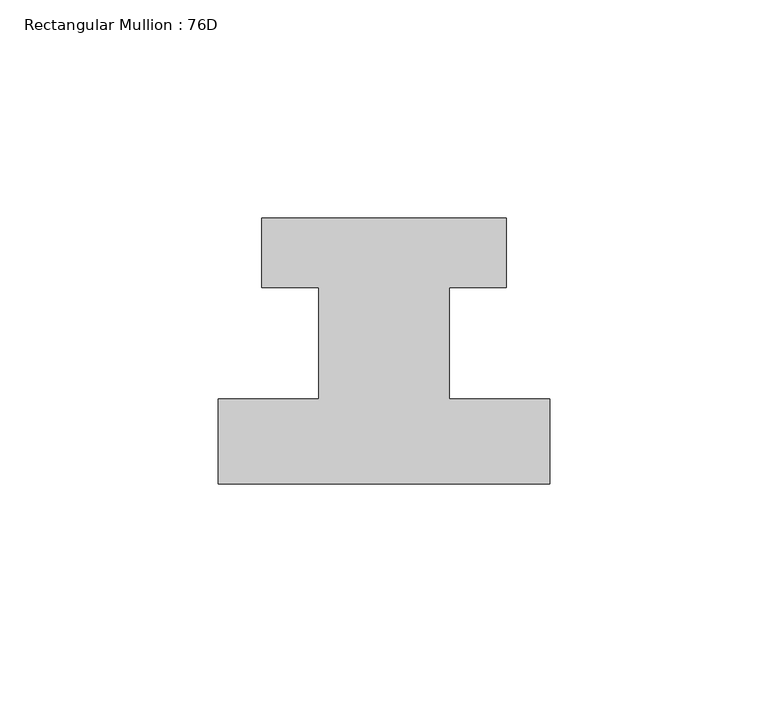
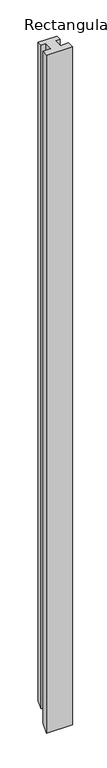
"""IFC4 building model written with IfcOpenShell, lengths in millimetres: member geometry, Rectangular Mullion : 76D."""

import ifcopenshell
import ifcopenshell.guid

model = None  # the IFC model being written
_history = None  # IfcOwnerHistory: only IFC2X3 demands one
_inside = {}  # id of a spatial element -> (the spatial element, [elements in it])
_under = {}  # id of a project, library or spatial element -> (it, [spatial elements below it])
_declared = {}  # id of a project -> (the project, [libraries it declares])
_typed = {}  # id of a type object -> (the type object, [elements of that type])
_made_of = {}  # id of a material, layer set ... -> (it, [elements and type objects made of it])


def new_model(schema):
    """Start an empty IFC model of exactly this schema.

    Asked for "IFC4X3", IfcOpenShell would pick the latest addendum, in which some entities
    have other attributes; the version numbers below select the first issue.
    IFC2X3 requires an IfcOwnerHistory on every rooted entity: one is made here for all.
    """
    global model, _history
    if schema == "IFC4X3":
        model = ifcopenshell.file(schema_version=(4, 3, 0, 0))
    else:
        model = ifcopenshell.file(schema=schema)
    _inside.clear()
    _under.clear()
    _declared.clear()
    _typed.clear()
    _made_of.clear()
    _history = None
    if model.schema == "IFC2X3":
        org = make("IfcOrganization", Name="unknown")
        user = make(
            "IfcPersonAndOrganization",
            ThePerson=make("IfcPerson", FamilyName="unknown"),
            TheOrganization=org,
        )
        app = make(
            "IfcApplication",
            ApplicationDeveloper=org,
            Version="unknown",
            ApplicationFullName="unknown",
            ApplicationIdentifier="unknown",
        )
        _history = make(
            "IfcOwnerHistory",
            OwningUser=user,
            OwningApplication=app,
            ChangeAction="ADDED",
            CreationDate=0,
        )
    return model


def make(cls, **values):
    """One entity of the class cls with the attributes given. An attribute that is None is left unset."""
    return model.create_entity(
        cls, **{name: value for name, value in values.items() if value is not None}
    )


def rooted(cls, **values):
    """An entity with a GlobalId (a new one), such as an element, a storey or a relation."""
    return make(cls, GlobalId=ifcopenshell.guid.new(), OwnerHistory=_history, **values)


def si_unit(unit_type, name, prefix=None):
    """IfcSIUnit, for example si_unit("LENGTHUNIT", "METRE", prefix="MILLI")."""
    return make("IfcSIUnit", UnitType=unit_type, Prefix=prefix, Name=name)


def assignment(units):
    """IfcUnitAssignment: the units of a project."""
    return None if units is None else make("IfcUnitAssignment", Units=units)


def point(xyz):
    """IfcCartesianPoint."""
    return None if xyz is None else make("IfcCartesianPoint", Coordinates=xyz)


def direction(xyz):
    """IfcDirection."""
    return None if xyz is None else make("IfcDirection", DirectionRatios=xyz)


def frame(location, z_axis=None, x_axis=None):
    """IfcAxis2Placement3D, a coordinate frame: its origin and axes. An axis left out is left unset."""
    return make(
        "IfcAxis2Placement3D",
        Location=point(location),
        Axis=direction(z_axis),
        RefDirection=direction(x_axis),
    )


def origin():
    """The frame at (0, 0, 0) with its axes left unset."""
    return frame((0.0, 0.0, 0.0))


def place(relative_to, where):
    """IfcLocalPlacement: puts the frame where relative to a parent placement (None: the world)."""
    return make(
        "IfcLocalPlacement", PlacementRelTo=relative_to, RelativePlacement=where
    )


def context(
    kind, dimensions, precision=None, world=None, true_north=None, identifier=None
):
    """IfcGeometricRepresentationContext, for example the 3D "Model" context."""
    return make(
        "IfcGeometricRepresentationContext",
        ContextIdentifier=identifier,
        ContextType=kind,
        CoordinateSpaceDimension=dimensions,
        Precision=precision,
        WorldCoordinateSystem=world,
        TrueNorth=true_north,
    )


def project(units=None, contexts=None):
    """IfcProject with its units and contexts."""
    return rooted(
        "IfcProject",
        Name="project",
        RepresentationContexts=contexts,
        UnitsInContext=assignment(units),
    )


def spatial(cls, under=None, at=None, **own):
    """A site, building, storey or space (cls), placed at a placement, below another one or the project."""
    s = rooted(cls, ObjectPlacement=at, **own)
    if under is not None:
        _under.setdefault(under.id(), (under, []))[1].append(s)
    return s


def faces_of(points, faces, orient=None, outer=None):
    """IfcFace entities. A face is a list of loops; a loop is a list of indices into points, from 0.

    orient and outer hold one flag for each loop. By default every Orientation is true, the
    first loop of a face is its IfcFaceOuterBound and the others are IfcFaceBound.
    """
    made = []
    for i, loops in enumerate(faces):
        bounds = []
        for j, loop in enumerate(loops):
            is_outer = j == 0 if outer is None else outer[i][j]
            bounds.append(
                make(
                    "IfcFaceOuterBound" if is_outer else "IfcFaceBound",
                    Bound=make("IfcPolyLoop", Polygon=[points[k] for k in loop]),
                    Orientation=True if orient is None else orient[i][j],
                )
            )
        made.append(make("IfcFace", Bounds=bounds))
    return made


def faceted_brep(points, faces, orient=None, outer=None, voids=None):
    """IfcFacetedBrep: a solid bounded by flat faces; with voids (closed shells), ...WithVoids."""
    shared = [point(p) for p in points]
    hull = make("IfcClosedShell", CfsFaces=faces_of(shared, faces, orient, outer))
    if voids is None:
        return make("IfcFacetedBrep", Outer=hull)
    return make(
        "IfcFacetedBrepWithVoids",
        Outer=hull,
        Voids=[
            make(cls, CfsFaces=faces_of(shared, fs, o, b)) for cls, fs, o, b in voids
        ],
    )


def shape(context_of_items, identifier, shape_type, items):
    """IfcShapeRepresentation: the items that make up one representation, for example the "Body"."""
    return make(
        "IfcShapeRepresentation",
        ContextOfItems=context_of_items,
        RepresentationIdentifier=identifier,
        RepresentationType=shape_type,
        Items=items,
    )


def source(mapping_origin, context_of_items, identifier, shape_type, items):
    """IfcRepresentationMap: a shape defined once, which mapped items show again and again."""
    return make(
        "IfcRepresentationMap",
        MappingOrigin=mapping_origin,
        MappedRepresentation=shape(context_of_items, identifier, shape_type, items),
    )


def transform(
    local_origin,
    x_axis=None,
    y_axis=None,
    z_axis=None,
    scale=None,
    scale2=None,
    scale3=None,
    uniform=True,
):
    """IfcCartesianTransformationOperator3D, or its non-uniform kind. x_axis, y_axis, z_axis: its Axis1, 2, 3."""
    if uniform:
        return make(
            "IfcCartesianTransformationOperator3D",
            Axis1=direction(x_axis),
            Axis2=direction(y_axis),
            LocalOrigin=point(local_origin),
            Scale=scale,
            Axis3=direction(z_axis),
        )
    return make(
        "IfcCartesianTransformationOperator3DnonUniform",
        Axis1=direction(x_axis),
        Axis2=direction(y_axis),
        LocalOrigin=point(local_origin),
        Scale=scale,
        Axis3=direction(z_axis),
        Scale2=scale2,
        Scale3=scale3,
    )


def mapped(mapping_source, mapping_target):
    """IfcMappedItem: shows the shape of a source again, moved by a transform."""
    return make(
        "IfcMappedItem", MappingSource=mapping_source, MappingTarget=mapping_target
    )


def made_of(thing, what):
    """Note that an element or type object is made of a material, layer set ...; save() writes the relation."""
    if what is not None:
        _made_of.setdefault(what.id(), (what, []))[1].append(thing)
    return thing


def element(
    cls,
    number,
    at=None,
    inside=None,
    cuts=None,
    type_object=None,
    material=None,
    context=None,
    identifier="Body",
    shape_type=None,
    held_by="IfcProductDefinitionShape",
    body=None,
    shapes=None,
    **own,
):
    """One element of the class cls, such as IfcWall. Its Tag is "e" and its number.

    at: its placement. inside: the storey or other place that contains it. cuts: it is an
    opening in that element (IfcRelVoidsElement). A single representation is given by context,
    identifier, shape_type and body (its items); several are given by shapes. held_by: the class
    of the entity that holds the representations. save() writes the other relations.
    """
    e = rooted(cls, Tag="e%d" % number, ObjectPlacement=at, **own)
    if body is not None:
        shapes = [shape(context, identifier, shape_type, body)]
    if shapes is not None:
        e.Representation = make(held_by, Representations=shapes)
    if inside is not None:
        _inside.setdefault(inside.id(), (inside, []))[1].append(e)
    if cuts is not None:
        rooted(
            "IfcRelVoidsElement", RelatingBuildingElement=cuts, RelatedOpeningElement=e
        )
    if type_object is not None:
        _typed.setdefault(type_object.id(), (type_object, []))[1].append(e)
    return made_of(e, material)


def aggregate(whole, parts):
    """IfcRelAggregates: a whole, such as a stair, and the parts it consists of."""
    return rooted("IfcRelAggregates", RelatingObject=whole, RelatedObjects=parts)


def save(model, path):
    """Write the relations noted so far, then the file.

    IfcRelAggregates (storeys below a building ...), IfcRelContainedInSpatialStructure (elements
    in a storey), IfcRelDefinesByType, IfcRelAssociatesMaterial and IfcRelDeclares: one each for
    every whole, place, type object, material and project.
    """
    for whole, parts in _under.values():
        aggregate(whole, parts)
    for where, things in _inside.values():
        rooted(
            "IfcRelContainedInSpatialStructure",
            RelatedElements=things,
            RelatingStructure=where,
        )
    for kind, things in _typed.values():
        rooted("IfcRelDefinesByType", RelatedObjects=things, RelatingType=kind)
    for what, things in _made_of.values():
        rooted("IfcRelAssociatesMaterial", RelatedObjects=things, RelatingMaterial=what)
    for by, libraries in _declared.values():
        rooted("IfcRelDeclares", RelatingContext=by, RelatedDefinitions=libraries)
    model.write(path)


def rectangular_mullion_76d_525fcdcf(model_context):
    return source(origin(), model_context, "Body", "Brep", [
        faceted_brep([(0.0, -20.0, 0.0), (0.0, -0.5, 0.0), (-23.0, -0.5, 0.0), (-23.0, 25.0, 0.0), (-10.0, 25.0, 0.0), (-10.0, 41.0, 0.0), (-66.0, 41.0, 0.0), (-66.0, 25.0, 0.0), (-53.0, 25.0, 0.0), (-53.0, -0.5, 0.0), (-76.0, -0.5, 0.0), (-76.0, -20.0, 0.0), (0.0, -20.0, -2120.0), (0.0, -0.5, -2100.5), (-23.0, -0.5, -2100.5), (-23.0, 25.0, -2075.0), (-10.0, 25.0, -2075.0), (-10.0, 41.0, -2059.0), (-66.0, 41.0, -2059.0), (-66.0, 25.0, -2075.0), (-53.0, 25.0, -2075.0), (-53.0, -0.5, -2100.5), (-76.0, -0.5, -2100.5), (-76.0, -20.0, -2120.0)], [[[0, 1, 2, 3, 4, 5, 6, 7, 8, 9, 10, 11]], [[1, 0, 12, 13]], [[2, 1, 13, 14]], [[3, 2, 14, 15]], [[4, 3, 15, 16]], [[5, 4, 16, 17]], [[6, 5, 17, 18]], [[7, 6, 18, 19]], [[8, 7, 19, 20]], [[9, 8, 20, 21]], [[10, 9, 21, 22]], [[11, 10, 22, 23]], [[0, 11, 23, 12]], [[12, 23, 22, 21, 20, 19, 18, 17, 16, 15, 14, 13]]]),
    ])


if __name__ == "__main__":
    model = new_model("IFC4")
    model_context = context("Model", 3, world=origin())
    ifc_project = project(units=[si_unit("LENGTHUNIT", "METRE", prefix="MILLI")], contexts=[model_context])
    site = spatial("IfcSite", under=ifc_project)
    building = spatial("IfcBuilding", under=site)
    placement = place(None, origin())
    rectangular_mullion_76d_shape = rectangular_mullion_76d_525fcdcf(model_context)
    element("IfcMember", 1, ObjectType="Rectangular Mullion : 76D", at=placement, inside=building, context=model_context, shape_type="MappedRepresentation", body=[
        mapped(rectangular_mullion_76d_shape, transform((0.0, 0.0, 0.0), x_axis=(1.0, 0.0, 0.0), y_axis=(0.0, 1.0, 0.0), z_axis=(0.0, 0.0, 1.0))),
    ])
    save(model, "model.ifc")
